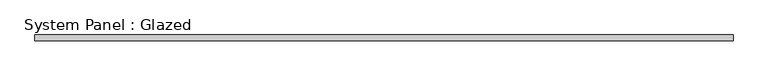
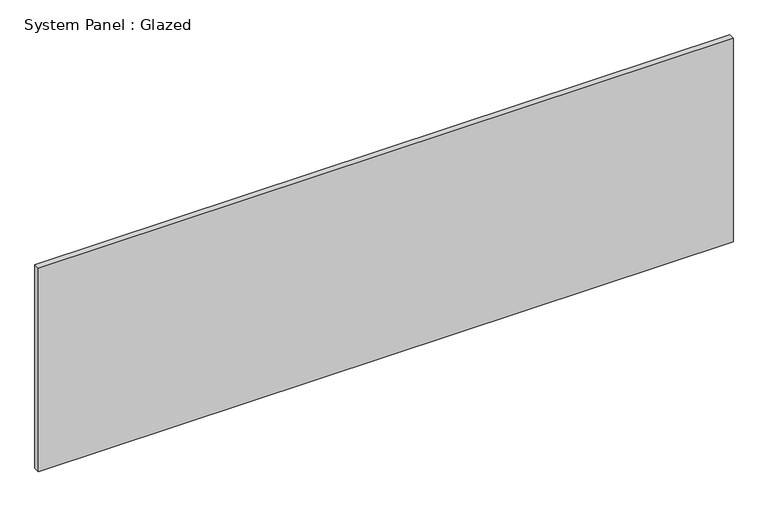
"""IFC4 building model written with IfcOpenShell, lengths in millimetres: plate geometry, System Panel : Glazed."""

from ifc_helpers import new_model, si_unit, origin, origin_with_axes, place, context, project, spatial, polyline, outline, extrude, source, transform, mapped, element, save


def system_panel_glazed_549f9cdc(model_context):
    return source(origin(), model_context, "Body", "SweptSolid", [
        extrude(outline(polyline([(1455.3059029, 24.5), (-1455.3059029, 24.5), (-1455.3059029, 49.5), (1455.3059029, 49.5), (1455.3059029, 24.5)])), origin_with_axes(), (0.0, 0.0, 1.0), 900.0),
    ])


if __name__ == "__main__":
    model = new_model("IFC4")
    model_context = context("Model", 3, world=origin())
    ifc_project = project(units=[si_unit("LENGTHUNIT", "METRE", prefix="MILLI")], contexts=[model_context])
    site = spatial("IfcSite", under=ifc_project)
    building = spatial("IfcBuilding", under=site)
    placement = place(None, origin())
    system_panel_glazed_shape = system_panel_glazed_549f9cdc(model_context)
    element("IfcPlate", 1, ObjectType="System Panel : Glazed", at=placement, inside=building, context=model_context, shape_type="MappedRepresentation", body=[
        mapped(system_panel_glazed_shape, transform((0.0, 0.0, 0.0), x_axis=(1.0, 0.0, 0.0), y_axis=(0.0, 1.0, 0.0), z_axis=(0.0, 0.0, 1.0))),
    ])
    save(model, "model.ifc")
